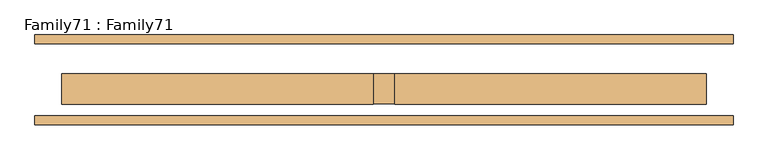
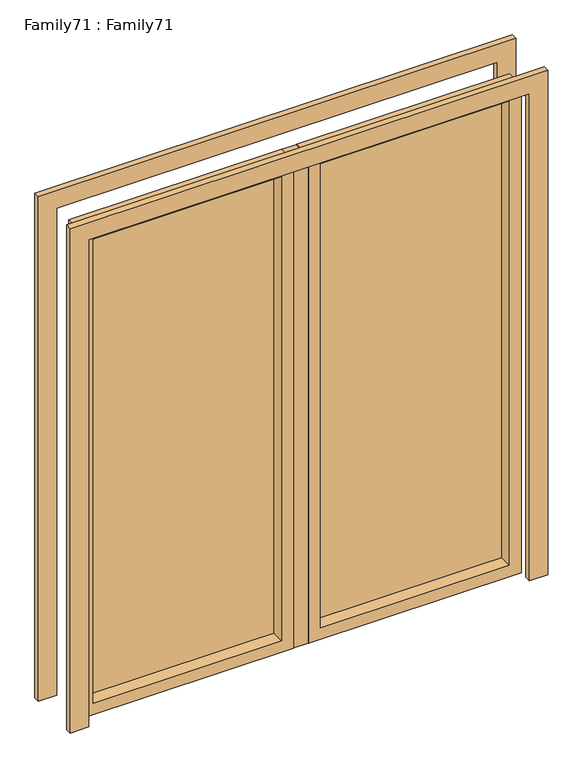
"""IFC4 building model written with IfcOpenShell, lengths in millimetres: door geometry, Family71 : Family71."""

from ifc_helpers import new_model, si_unit, frame, origin, origin_with_axes, place, context, project, spatial, polyline, outline, extrude, source, transform, mapped, element, save


def family71_family71_4eabee24(model_context):
    return source(origin(), model_context, "Body", "SweptSolid", [
        extrude(outline(polyline([(2090.0, -895.0), (2090.0, 895.0), (0.0, 895.0), (0.0, 970.0), (2165.0, 970.0), (2165.0, -970.0), (0.0, -970.0), (0.0, -895.0), (2090.0, -895.0)])), frame((0.0, 100.0, 0.0), z_axis=(0.0, 1.0, 0.0), x_axis=(0.0, 0.0, 1.0)), (0.0, 0.0, 1.0), 25.0),
        extrude(outline(polyline([(2165.0, -970.0), (0.0, -970.0), (0.0, -895.0), (2090.0, -895.0), (2090.0, 895.0), (0.0, 895.0), (0.0, 970.0), (2165.0, 970.0), (2165.0, -970.0)])), frame((0.0, -125.0, 0.0), z_axis=(0.0, 1.0, 0.0), x_axis=(0.0, 0.0, 1.0)), (0.0, 0.0, 1.0), 25.0),
        extrude(outline(polyline([(-80.0, 14.0), (-80.0, 10.0), (-845.0, 10.0), (-845.0, 14.0), (-80.0, 14.0)])), frame((0.0, 0.0, 50.0), z_axis=(0.0, 0.0, 1.0), x_axis=(1.0, 0.0, 0.0)), (0.0, 0.0, 1.0), 1990.0),
        extrude(outline(polyline([(-845.0, -14.0), (-845.0, -10.0), (-80.0, -10.0), (-80.0, -14.0), (-845.0, -14.0)])), frame((0.0, 0.0, 50.0), z_axis=(0.0, 0.0, 1.0), x_axis=(1.0, 0.0, 0.0)), (0.0, 0.0, 1.0), 1990.0),
        extrude(outline(polyline([(845.0, 14.0), (845.0, 10.0), (80.0, 10.0), (80.0, 14.0), (845.0, 14.0)])), frame((0.0, 0.0, 50.0), z_axis=(0.0, 0.0, 1.0), x_axis=(1.0, 0.0, 0.0)), (0.0, 0.0, 1.0), 1990.0),
        extrude(outline(polyline([(80.0, -10.0), (845.0, -10.0), (845.0, -14.0), (80.0, -14.0), (80.0, -10.0)])), frame((0.0, 0.0, 50.0), z_axis=(0.0, 0.0, 1.0), x_axis=(1.0, 0.0, 0.0)), (0.0, 0.0, 1.0), 1990.0),
        extrude(outline(polyline([(27.8701111, -66.6935962), (-27.9294299, -66.6935962), (-27.9294299, 16.8714321), (27.8701111, 16.8714321), (27.8701111, -66.6935962)])), origin_with_axes(), (0.0, 0.0, 1.0), 2090.0),
        extrude(outline(polyline([(0.0, 30.0), (0.0, 895.0), (2090.0, 895.0), (2090.0, 30.0), (0.0, 30.0)]), holes=[polyline([(50.0, 845.0), (50.0, 80.0), (2040.0, 80.0), (2040.0, 845.0), (50.0, 845.0)])]), frame((0.0, -67.0, 0.0), z_axis=(0.0, 1.0, 0.0), x_axis=(0.0, 0.0, 1.0)), (0.0, 0.0, 1.0), 84.0),
        extrude(outline(polyline([(2090.0, -30.0), (2090.0, -895.0), (0.0, -895.0), (0.0, -30.0), (2090.0, -30.0)]), holes=[polyline([(50.0, -80.0), (50.0, -845.0), (2040.0, -845.0), (2040.0, -80.0), (50.0, -80.0)])]), frame((0.0, -67.0, 0.0), z_axis=(0.0, 1.0, 0.0), x_axis=(0.0, 0.0, 1.0)), (0.0, 0.0, 1.0), 84.0),
    ])


if __name__ == "__main__":
    model = new_model("IFC4")
    model_context = context("Model", 3, world=origin())
    ifc_project = project(units=[si_unit("LENGTHUNIT", "METRE", prefix="MILLI")], contexts=[model_context])
    site = spatial("IfcSite", under=ifc_project)
    building = spatial("IfcBuilding", under=site)
    placement = place(None, origin())
    family71_family71_shape = family71_family71_4eabee24(model_context)
    element("IfcDoor", 1, ObjectType="Family71 : Family71", at=placement, inside=building, context=model_context, shape_type="MappedRepresentation", body=[
        mapped(family71_family71_shape, transform((0.0, 0.0, 0.0), x_axis=(1.0, 0.0, 0.0), y_axis=(0.0, 1.0, 0.0), z_axis=(0.0, 0.0, 1.0))),
    ])
    save(model, "model.ifc")
